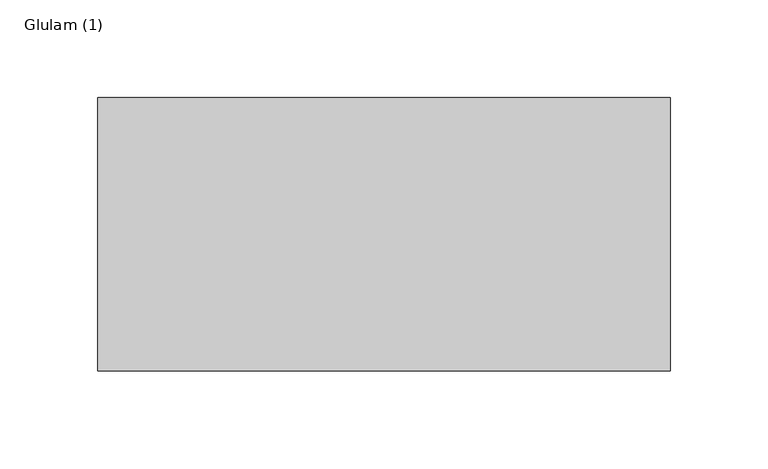
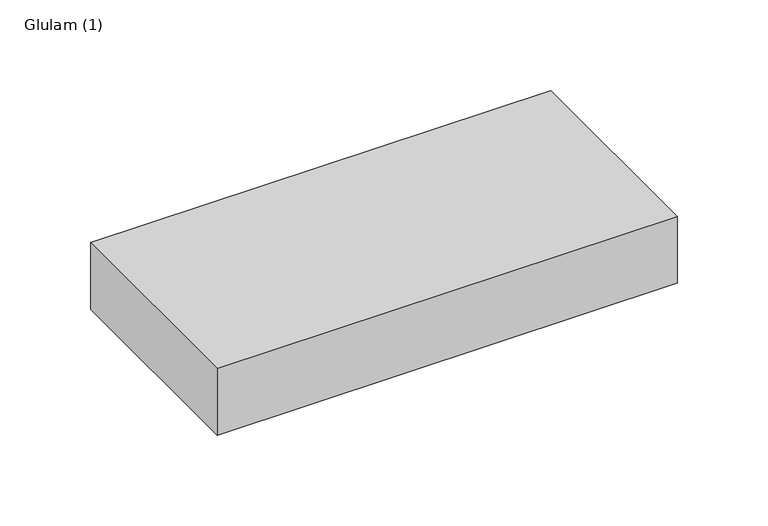
"""IFC4 building model written with IfcOpenShell, lengths in millimetres: beam geometry, Glulam (1)."""

from ifc_helpers import new_model, si_unit, frame, origin, place, context, project, spatial, polyline, outline, extrude, source, transform, mapped, element, save


def glulam_1_b6a62da4(model_context):
    return source(origin(), model_context, "Body", "SweptSolid", [
        extrude(outline(polyline([(146.5, 70.0), (146.5, -70.0), (-146.5, -70.0), (-146.5, 70.0), (146.5, 70.0)])), frame((0.0, 0.0, -22.5), z_axis=(0.0, 0.0, 1.0), x_axis=(1.0, 0.0, 0.0)), (0.0, 0.0, 1.0), 45.0),
    ])


if __name__ == "__main__":
    model = new_model("IFC4")
    model_context = context("Model", 3, world=origin())
    ifc_project = project(units=[si_unit("LENGTHUNIT", "METRE", prefix="MILLI")], contexts=[model_context])
    site = spatial("IfcSite", under=ifc_project)
    building = spatial("IfcBuilding", under=site)
    placement = place(None, origin())
    glulam_1_shape = glulam_1_b6a62da4(model_context)
    element("IfcBeam", 1, ObjectType="Glulam (1)", at=placement, inside=building, context=model_context, shape_type="MappedRepresentation", body=[
        mapped(glulam_1_shape, transform((0.0, 0.0, 0.0), x_axis=(1.0, 0.0, 0.0), y_axis=(0.0, 1.0, 0.0), z_axis=(0.0, 0.0, 1.0))),
    ])
    save(model, "model.ifc")
